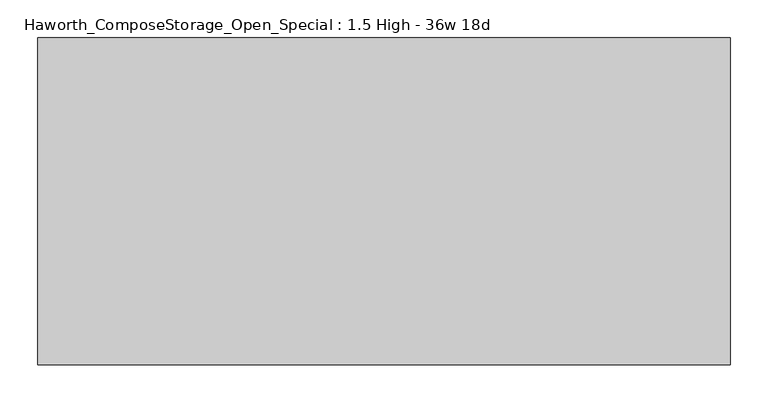
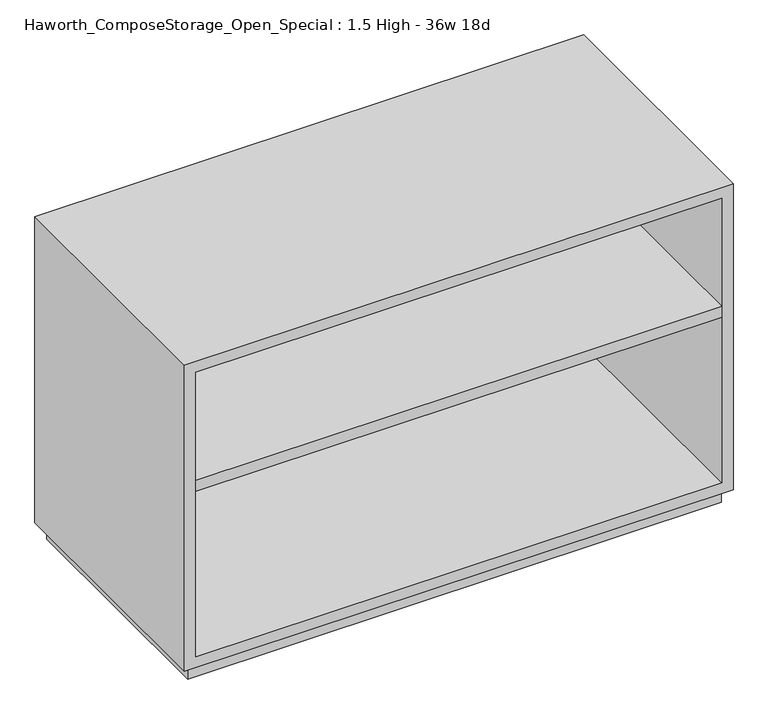
"""IFC4 building model written with IfcOpenShell, lengths in millimetres: furniture geometry, Haworth_ComposeStorage_Open_Special : 1.5 High - 36w 18d."""

from ifc_helpers import new_model, si_unit, frame, origin, origin_with_axes, place, context, project, spatial, polyline, outline, extrude, source, transform, mapped, element, save


def haworth_composestorage_open_special_1_5_high_36w_18d_51eb542a(model_context):
    return source(origin(), model_context, "Body", "SweptSolid", [
        extrude(outline(polyline([(438.1569453, 260.35), (438.1569453, -152.4), (-438.1291641, -152.4), (-438.1291641, 260.35), (438.1569453, 260.35)])), frame((0.0, 0.0, 336.55), z_axis=(0.0, 0.0, 1.0), x_axis=(1.0, 0.0, 0.0)), (0.0, 0.0, 1.0), 19.05),
        extrude(outline(polyline([(25.4, -457.1861094), (25.4, 457.2138906), (565.15, 457.2138906), (565.15, -457.1861094), (25.4, -457.1861094)]), holes=[polyline([(44.45, -438.1361094), (546.1, -438.1361094), (546.1, 438.1569453), (44.45, 438.1569453), (44.45, -438.1361094)])]), frame((0.0, -152.4, 0.0), z_axis=(0.0, 1.0, 0.0), x_axis=(0.0, 0.0, 1.0)), (0.0, 0.0, 1.0), 431.8),
        extrude(outline(polyline([(-438.1291641, 260.35), (-438.1291641, 279.4), (438.1569453, 279.4), (438.1569453, 260.35), (-438.1291641, 260.35)])), frame((0.0, 0.0, 44.45), z_axis=(0.0, 0.0, 1.0), x_axis=(1.0, 0.0, 0.0)), (0.0, 0.0, 1.0), 501.65),
        extrude(outline(polyline([(444.5138906, -139.7), (-444.4861094, -139.7), (-444.4861094, 266.7), (444.5138906, 266.7), (444.5138906, -139.7)])), origin_with_axes(), (0.0, 0.0, 1.0), 25.4),
    ])


if __name__ == "__main__":
    model = new_model("IFC4")
    model_context = context("Model", 3, world=origin())
    ifc_project = project(units=[si_unit("LENGTHUNIT", "METRE", prefix="MILLI")], contexts=[model_context])
    site = spatial("IfcSite", under=ifc_project)
    building = spatial("IfcBuilding", under=site)
    placement = place(None, origin())
    haworth_composestorage_open_special_1_5_high_36w_18d_shape = haworth_composestorage_open_special_1_5_high_36w_18d_51eb542a(model_context)
    element("IfcFurniture", 1, ObjectType="Haworth_ComposeStorage_Open_Special : 1.5 High - 36w 18d", at=placement, inside=building, context=model_context, shape_type="MappedRepresentation", body=[
        mapped(haworth_composestorage_open_special_1_5_high_36w_18d_shape, transform((0.0, 0.0, 0.0), x_axis=(1.0, 0.0, 0.0), y_axis=(0.0, 1.0, 0.0), z_axis=(0.0, 0.0, 1.0))),
    ])
    save(model, "model.ifc")
